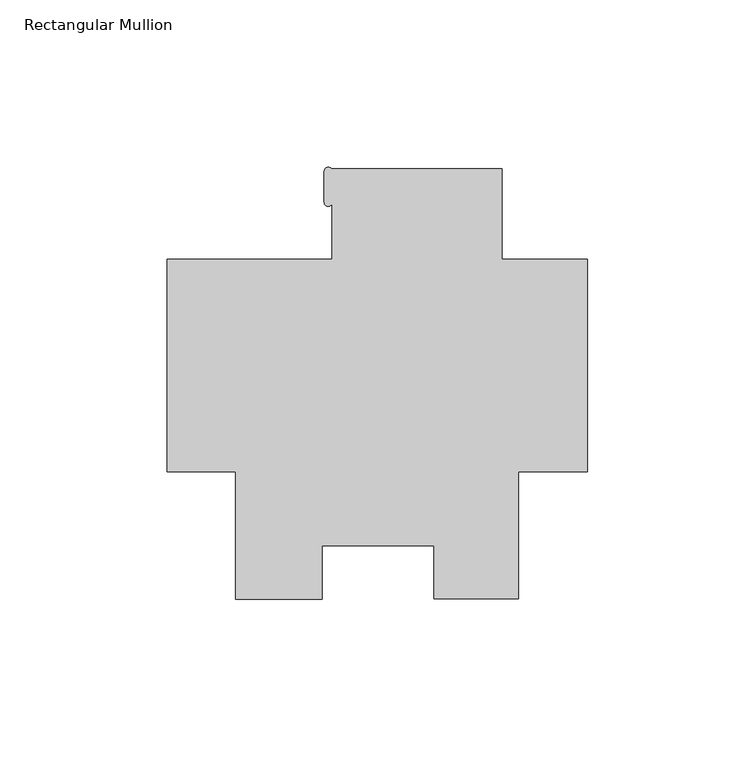
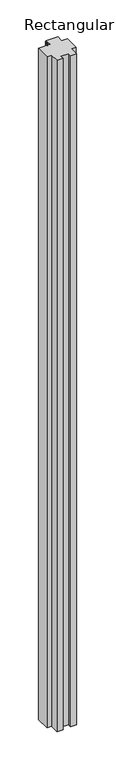
"""IFC4 building model written with IfcOpenShell, lengths in millimetres: member geometry, Rectangular Mullion."""

from ifc_helpers import new_model, si_unit, point, frame, frame_2d, origin, place, context, project, spatial, polyline, circle_curve, trimmed, segment, composite_curve, outline, extrude, source, transform, mapped, element, save


def rectangular_mullion_8331afda(model_context):
    return source(origin(), model_context, "Body", "SweptSolid", [
        extrude(outline(composite_curve([segment(polyline([(-25.577927, 58.7248001), (-25.577927, 31.7500001), (0.0, 31.7500001), (0.0, -31.75), (-20.6735973, -31.75), (-20.6735973, -69.85), (-45.9670891, -69.85), (-45.9670891, -53.9624751), (-79.3689318, -53.9624751), (-79.3689318, -69.8732034), (-105.2447888, -69.8732034), (-105.2447888, -31.75), (-125.7808, -31.75), (-125.7808, 31.7500001), (-76.377927, 31.7500001), (-76.377927, 48.7042635)]), True, "CONTINUOUS"), segment(trimmed(circle_curve(frame_2d((-77.571473, 48.7288884)), 1.1938), [point((-76.377927, 48.7042635))], [point((-78.765273, 48.7288884))], False, "CARTESIAN"), True, "CONTINUOUS"), segment(polyline([(-78.765273, 48.7288884), (-78.765273, 58.0542437)]), True, "CONTINUOUS"), segment(trimmed(circle_curve(frame_2d((-77.571473, 58.0542437)), 1.1938), [point((-78.765273, 58.0542437))], [point((-76.5837926, 58.7248001))], False, "CARTESIAN"), True, "CONTINUOUS"), segment(polyline([(-76.5837926, 58.7248001), (-25.577927, 58.7248001)]), True, "CONTINUOUS")], self_intersect=False)), frame((0.0, 0.0, -3048.0), z_axis=(0.0, 0.0, 1.0), x_axis=(1.0, 0.0, 0.0)), (0.0, 0.0, 1.0), 3048.0),
    ])


if __name__ == "__main__":
    model = new_model("IFC4")
    model_context = context("Model", 3, world=origin())
    ifc_project = project(units=[si_unit("LENGTHUNIT", "METRE", prefix="MILLI")], contexts=[model_context])
    site = spatial("IfcSite", under=ifc_project)
    building = spatial("IfcBuilding", under=site)
    placement = place(None, origin())
    rectangular_mullion_shape = rectangular_mullion_8331afda(model_context)
    element("IfcMember", 1, ObjectType="Rectangular Mullion", at=placement, inside=building, context=model_context, shape_type="MappedRepresentation", body=[
        mapped(rectangular_mullion_shape, transform((0.0, 0.0, 0.0), x_axis=(1.0, 0.0, 0.0), y_axis=(0.0, 1.0, 0.0), z_axis=(0.0, 0.0, 1.0))),
    ])
    save(model, "model.ifc")
